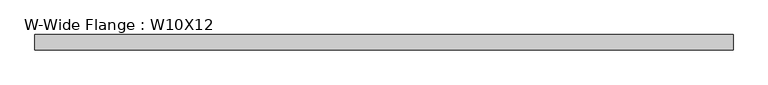
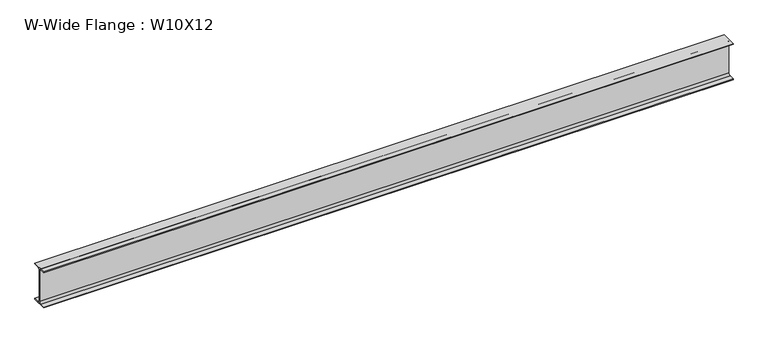
"""IFC4 building model written with IfcOpenShell, lengths in millimetres: beam geometry, W-Wide Flange : W10X12."""

from ifc_helpers import new_model, si_unit, point, frame, frame_2d, origin, place, context, project, spatial, polyline, circle_curve, trimmed, segment, composite_curve, outline, extrude, source, transform, mapped, element, save


def w_wide_flange_w10x12_2436cf32(model_context):
    return source(origin(), model_context, "Body", "SweptSolid", [
        extrude(outline(composite_curve([segment(polyline([(50.3039062, -120.0050781), (50.3039062, -125.3628906), (-50.3039063, -125.3628906), (-50.3039063, -120.0050781), (-16.1230469, -120.0050781)]), True, "CONTINUOUS"), segment(trimmed(circle_curve(frame_2d((-16.1230469, -106.3128906)), 13.6921875), [point((-16.1230469, -120.0050781))], [point((-2.4308594, -106.3128906))], True, "CARTESIAN"), True, "CONTINUOUS"), segment(polyline([(-2.4308594, -106.3128906), (-2.4308594, 106.3128906)]), True, "CONTINUOUS"), segment(trimmed(circle_curve(frame_2d((-16.1230469, 106.3128906)), 13.6921875), [point((-2.4308594, 106.3128906))], [point((-16.1230469, 120.0050781))], True, "CARTESIAN"), True, "CONTINUOUS"), segment(polyline([(-16.1230469, 120.0050781), (-50.3039063, 120.0050781), (-50.3039063, 125.3628906), (50.3039062, 125.3628906), (50.3039062, 120.0050781), (16.1230469, 120.0050781)]), True, "CONTINUOUS"), segment(trimmed(circle_curve(frame_2d((16.1230469, 106.3128906)), 13.6921875), [point((16.1230469, 120.0050781))], [point((2.4308594, 106.3128906))], True, "CARTESIAN"), True, "CONTINUOUS"), segment(polyline([(2.4308594, 106.3128906), (2.4308594, -106.3128906)]), True, "CONTINUOUS"), segment(trimmed(circle_curve(frame_2d((16.1230469, -106.3128906)), 13.6921875), [point((2.4308594, -106.3128906))], [point((16.1230469, -120.0050781))], True, "CARTESIAN"), True, "CONTINUOUS"), segment(polyline([(16.1230469, -120.0050781), (50.3039062, -120.0050781)]), True, "CONTINUOUS")], self_intersect=False)), frame((-2266.95, 0.0, 0.0), z_axis=(1.0, 0.0, 0.0), x_axis=(0.0, 1.0, 0.0)), (0.0, 0.0, 1.0), 4546.6),
    ])


if __name__ == "__main__":
    model = new_model("IFC4")
    model_context = context("Model", 3, world=origin())
    ifc_project = project(units=[si_unit("LENGTHUNIT", "METRE", prefix="MILLI")], contexts=[model_context])
    site = spatial("IfcSite", under=ifc_project)
    building = spatial("IfcBuilding", under=site)
    placement = place(None, origin())
    w_wide_flange_w10x12_shape = w_wide_flange_w10x12_2436cf32(model_context)
    element("IfcBeam", 1, ObjectType="W-Wide Flange : W10X12", at=placement, inside=building, context=model_context, shape_type="MappedRepresentation", body=[
        mapped(w_wide_flange_w10x12_shape, transform((0.0, 0.0, 0.0), x_axis=(1.0, 0.0, 0.0), y_axis=(0.0, 1.0, 0.0), z_axis=(0.0, 0.0, 1.0))),
    ])
    save(model, "model.ifc")
